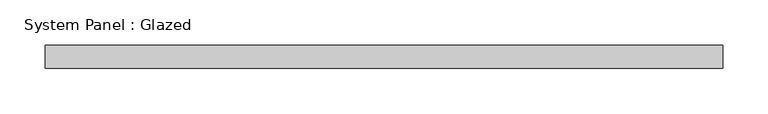
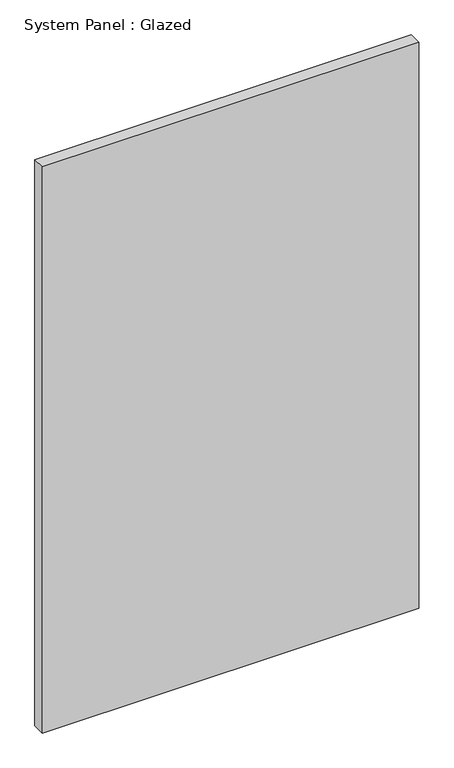
"""IFC4 building model written with IfcOpenShell, lengths in millimetres: plate geometry, System Panel : Glazed."""

from ifc_helpers import new_model, si_unit, origin, origin_with_axes, place, context, project, spatial, polyline, outline, extrude, source, transform, mapped, element, save


def system_panel_glazed_66335613(model_context):
    return source(origin(), model_context, "Body", "SweptSolid", [
        extrude(outline(polyline([(373.5382381, -12.7), (-373.5382381, -12.7), (-373.5382381, 12.7), (373.5382381, 12.7), (373.5382381, -12.7)])), origin_with_axes(), (0.0, 0.0, 1.0), 1187.45),
    ])


if __name__ == "__main__":
    model = new_model("IFC4")
    model_context = context("Model", 3, world=origin())
    ifc_project = project(units=[si_unit("LENGTHUNIT", "METRE", prefix="MILLI")], contexts=[model_context])
    site = spatial("IfcSite", under=ifc_project)
    building = spatial("IfcBuilding", under=site)
    placement = place(None, origin())
    system_panel_glazed_shape = system_panel_glazed_66335613(model_context)
    element("IfcPlate", 1, ObjectType="System Panel : Glazed", at=placement, inside=building, context=model_context, shape_type="MappedRepresentation", body=[
        mapped(system_panel_glazed_shape, transform((0.0, 0.0, 0.0), x_axis=(1.0, 0.0, 0.0), y_axis=(0.0, 1.0, 0.0), z_axis=(0.0, 0.0, 1.0))),
    ])
    save(model, "model.ifc")
